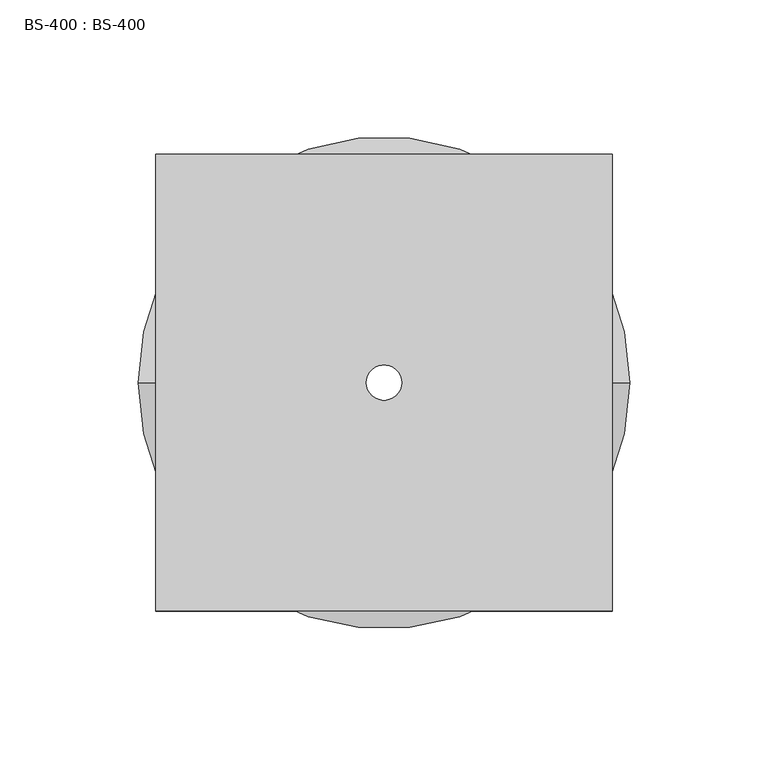
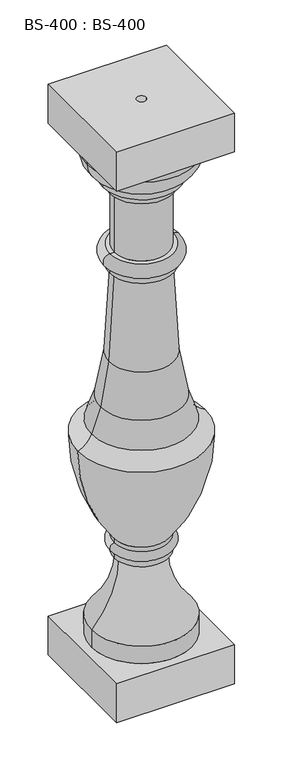
"""IFC4 building model written with IfcOpenShell, lengths in millimetres: proxy geometry, BS-400 : BS-400."""

from ifc_helpers import new_model, si_unit, point, frame, origin, origin_with_axes, place, context, project, spatial, polyline, circle_curve, ellipse_curve, trimmed, source, transform, mapped, element, save
from ifc_brep_helpers import plane_surface, cylinder_surface, revolved_surface, advanced_brep


def bs_400_bs_400_d711bba1(model_context):
    return source(origin(), model_context, "Body", "AdvancedBrep", [
        advanced_brep(
        [(-82.55, -82.55, 841.375), (-82.55, -82.55, 784.225), (82.55, -82.55, 784.225), (82.55, -82.55, 841.375), (-82.55, 82.55, 841.375), (82.55, 82.55, 841.375), (82.55, 82.55, 784.225), (-82.55, 82.55, 784.225), (63.5, 0.0, 784.225), (-63.5, 0.0, 784.225), (-6.35, 0.0, 841.375), (6.35, 0.0, 841.375), (76.1994161, 0.0, 771.4032139), (-76.1994161, 0.0, 771.4032139), (-69.85, 0.0, 82.55), (69.85, 0.0, 82.55), (69.85, 0.0, 57.15), (-69.85, 0.0, 57.15), (-31.75, 0.0, 177.8), (31.75, 0.0, 177.8), (-38.1, 0.0, 177.8), (38.1, 0.0, 177.8), (-38.1, 0.0, 187.325), (38.1, 0.0, 187.325), (-38.1, 0.0, 200.025), (38.1, 0.0, 200.025), (-38.1, 0.0, 206.375), (38.1, 0.0, 206.375), (-88.8985682, 0.0, 352.425), (88.8985682, 0.0, 352.425), (-45.6672553, 0.0, 470.0529984), (45.6672553, 0.0, 470.0529984), (57.0978324, 0.0, 407.0202013), (-57.0978324, 0.0, 407.0202013), (-38.1020988, 0.0, 600.075), (38.1020988, 0.0, 600.075), (-44.45, 0.0, 600.075), (44.45, 0.0, 600.075), (-44.45, 0.0, 609.6), (44.45, 0.0, 609.6), (-44.45, 0.0, 628.65), (44.45, 0.0, 628.65), (-38.1, 0.0, 628.65), (38.1, 0.0, 628.65), (-38.1, 0.0, 717.55), (38.1, 0.0, 717.55), (-44.45, 0.0, 717.55), (44.45, 0.0, 717.55), (-53.975, 0.0, 730.25), (53.975, 0.0, 730.25), (-53.975, 0.0, 739.775), (53.975, 0.0, 739.775), (69.4955255, 0.0, 371.2663959), (-69.4955255, 0.0, 371.2663959), (-82.55, -82.55, 57.15), (-82.55, -82.55, 0.0), (82.55, -82.55, 0.0), (82.55, -82.55, 57.15), (-82.55, 82.55, 57.15), (82.55, 82.55, 57.15), (82.55, 82.55, 0.0), (-82.55, 82.55, 0.0), (6.35, 0.0, 0.0), (-6.35, 0.0, 0.0)],
        [
            (0, 1),
            (1, 2),
            (2, 3),
            (3, 0),
            (4, 5),
            (5, 6),
            (6, 7),
            (7, 4),
            (0, 4),
            (7, 1),
            (6, 2),
            (8, 9, circle_curve(frame((0.0, 0.0, 784.225), z_axis=(0.0, 0.0, 1.0), x_axis=(1.0, 0.0, 0.0)), 63.5)),
            (9, 8, circle_curve(frame((0.0, 0.0, 784.225), z_axis=(0.0, 0.0, 1.0), x_axis=(1.0, 0.0, 0.0)), 63.5)),
            (5, 3),
            (10, 11, circle_curve(frame((0.0, 0.0, 841.375), z_axis=(0.0, 0.0, -1.0), x_axis=(1.0, 0.0, 0.0)), 6.35)),
            (11, 10, circle_curve(frame((0.0, 0.0, 841.375), z_axis=(0.0, 0.0, -1.0), x_axis=(1.0, 0.0, 0.0)), 6.35)),
            (8, 12, circle_curve(frame((63.5, 0.0, 771.525), z_axis=(0.0, 1.0, 0.0), x_axis=(0.0, 0.0, 1.0)), 12.7)),
            (12, 13, circle_curve(frame((0.0, 0.0, 771.4032139), z_axis=(0.0, 0.0, 1.0), x_axis=(1.0, 0.0, 0.0)), 76.1994161)),
            (13, 9, circle_curve(frame((-63.5, 0.0, 771.525), z_axis=(0.0, 1.0, 0.0), x_axis=(0.0, 0.0, 1.0)), 12.7)),
            (13, 12, circle_curve(frame((0.0, 0.0, 771.4032139), z_axis=(0.0, 0.0, 1.0), x_axis=(1.0, 0.0, 0.0)), 76.1994161)),
            (14, 15, circle_curve(frame((0.0, 0.0, 82.55), z_axis=(0.0, 0.0, -1.0), x_axis=(1.0, 0.0, 0.0)), 69.85)),
            (15, 16),
            (16, 17, circle_curve(frame((0.0, 0.0, 57.15), z_axis=(0.0, 0.0, 1.0), x_axis=(1.0, 0.0, 0.0)), 69.85)),
            (17, 14),
            (15, 14, circle_curve(frame((0.0, 0.0, 82.55), z_axis=(0.0, 0.0, -1.0), x_axis=(1.0, 0.0, 0.0)), 69.85)),
            (17, 16, circle_curve(frame((0.0, 0.0, 57.15), z_axis=(0.0, 0.0, 1.0), x_axis=(1.0, 0.0, 0.0)), 69.85)),
            (14, 18, circle_curve(frame((-171.4485594, 0.0, 178.4344238), z_axis=(0.0, -1.0000000000000002, 0.0), x_axis=(0.9999896881086963, 0.0, -0.004541329791212622)), 139.7)),
            (18, 19, circle_curve(frame((0.0, 0.0, 177.8), z_axis=(0.0, 0.0, -1.0), x_axis=(1.0, 0.0, 0.0)), 31.75)),
            (19, 15, circle_curve(frame((171.4485594, 0.0, 178.4344238), z_axis=(0.0, -1.0000000000000002, 0.0), x_axis=(-0.9999896881086963, 0.0, -0.004541329791209392)), 139.7)),
            (19, 18, circle_curve(frame((0.0, 0.0, 177.8), z_axis=(0.0, 0.0, -1.0), x_axis=(1.0, 0.0, 0.0)), 31.75)),
            (18, 20),
            (20, 21, circle_curve(frame((0.0, 0.0, 177.8), z_axis=(0.0, 0.0, -1.0), x_axis=(1.0, 0.0, 0.0)), 38.1)),
            (21, 19),
            (21, 20, circle_curve(frame((0.0, 0.0, 177.8), z_axis=(0.0, 0.0, -1.0), x_axis=(1.0, 0.0, 0.0)), 38.1)),
            (20, 22),
            (22, 23, circle_curve(frame((0.0, 0.0, 187.325), z_axis=(0.0, 0.0, -1.0), x_axis=(1.0, 0.0, 0.0)), 38.1)),
            (23, 21),
            (23, 22, circle_curve(frame((0.0, 0.0, 187.325), z_axis=(0.0, 0.0, -1.0), x_axis=(1.0, 0.0, 0.0)), 38.1)),
            (22, 24, circle_curve(frame((-38.1, 0.0, 193.675), z_axis=(0.0, 1.0, 0.0), x_axis=(0.0, 0.0, 1.0)), 6.35)),
            (24, 25, circle_curve(frame((0.0, 0.0, 200.025), z_axis=(0.0, 0.0, -1.0), x_axis=(1.0, 0.0, 0.0)), 38.1)),
            (25, 23, circle_curve(frame((38.1, 0.0, 193.675), z_axis=(0.0, 1.0, 0.0), x_axis=(0.0, 0.0, 1.0)), 6.35)),
            (25, 24, circle_curve(frame((0.0, 0.0, 200.025), z_axis=(0.0, 0.0, -1.0), x_axis=(1.0, 0.0, 0.0)), 38.1)),
            (24, 26),
            (26, 27, circle_curve(frame((0.0, 0.0, 206.375), z_axis=(0.0, 0.0, -1.0), x_axis=(1.0, 0.0, 0.0)), 38.1)),
            (27, 25),
            (27, 26, circle_curve(frame((0.0, 0.0, 206.375), z_axis=(0.0, 0.0, -1.0), x_axis=(1.0, 0.0, 0.0)), 38.1)),
            (26, 28, circle_curve(frame((148.5621965, 0.0, 353.158436), z_axis=(0.0, 1.0, 0.0), x_axis=(-0.9999952301183829, 0.0, -0.003088647031063775)), 237.4618974)),
            (28, 29, circle_curve(frame((0.0, 0.0, 352.425), z_axis=(0.0, 0.0, -1.0), x_axis=(1.0, 0.0, 0.0)), 88.8985682)),
            (29, 27, circle_curve(frame((-148.5621965, 0.0, 353.158436), z_axis=(0.0, 1.0, 0.0), x_axis=(0.9999952301183829, 0.0, -0.003088647031067006)), 237.4618974)),
            (29, 28, circle_curve(frame((0.0, 0.0, 352.425), z_axis=(0.0, 0.0, -1.0), x_axis=(1.0, 0.0, 0.0)), 88.8985682)),
            (30, 31, circle_curve(frame((0.0, 0.0, 470.0529984), z_axis=(0.0, 0.0, -1.0), x_axis=(1.0, 0.0, 0.0)), 45.6672553)),
            (31, 32, circle_curve(frame((623.7553248, 0.0, 542.332584), z_axis=(0.0, -1.0, 0.0), x_axis=(1.0, 0.0, 0.0)), 582.5891817)),
            (32, 33, circle_curve(frame((0.0, 0.0, 407.0202013), z_axis=(0.0, 0.0, 1.0), x_axis=(1.0, 0.0, 0.0)), 57.0978324)),
            (33, 30, circle_curve(frame((-623.7553248, 0.0, 542.332584), z_axis=(0.0, -1.0, 0.0), x_axis=(-1.0, 0.0, 0.0)), 582.5891817)),
            (31, 30, circle_curve(frame((0.0, 0.0, 470.0529984), z_axis=(0.0, 0.0, -1.0), x_axis=(1.0, 0.0, 0.0)), 45.6672553)),
            (33, 32, circle_curve(frame((0.0, 0.0, 407.0202013), z_axis=(0.0, 0.0, 1.0), x_axis=(1.0, 0.0, 0.0)), 57.0978324)),
            (30, 34, circle_curve(frame((-1021.4724534, 0.0, 592.0600058), z_axis=(0.0, -1.0, 0.0), x_axis=(0.9999667860464471, 0.0, 0.00815026404107719)), 983.4030173)),
            (34, 35, circle_curve(frame((0.0, 0.0, 600.075), z_axis=(0.0, 0.0, -1.0), x_axis=(1.0, 0.0, 0.0)), 38.1020988)),
            (35, 31, circle_curve(frame((1021.4724534, 0.0, 592.0600058), z_axis=(0.0, -1.0, 0.0), x_axis=(-0.9999667860464471, 0.0, 0.00815026404108042)), 983.4030173)),
            (35, 34, circle_curve(frame((0.0, 0.0, 600.075), z_axis=(0.0, 0.0, -1.0), x_axis=(1.0, 0.0, 0.0)), 38.1020988)),
            (34, 36),
            (36, 37, circle_curve(frame((0.0, 0.0, 600.075), z_axis=(0.0, 0.0, -1.0), x_axis=(1.0, 0.0, 0.0)), 44.45)),
            (37, 35),
            (37, 36, circle_curve(frame((0.0, 0.0, 600.075), z_axis=(0.0, 0.0, -1.0), x_axis=(1.0, 0.0, 0.0)), 44.45)),
            (36, 38),
            (38, 39, circle_curve(frame((0.0, 0.0, 609.6), z_axis=(0.0, 0.0, -1.0), x_axis=(1.0, 0.0, 0.0)), 44.45)),
            (39, 37),
            (39, 38, circle_curve(frame((0.0, 0.0, 609.6), z_axis=(0.0, 0.0, -1.0), x_axis=(1.0, 0.0, 0.0)), 44.45)),
            (38, 40, circle_curve(frame((-44.45, 0.0, 619.125), z_axis=(0.0, 1.0, 0.0), x_axis=(0.0, 0.0, 1.0)), 9.525)),
            (40, 41, circle_curve(frame((0.0, 0.0, 628.65), z_axis=(0.0, 0.0, -1.0), x_axis=(1.0, 0.0, 0.0)), 44.45)),
            (41, 39, circle_curve(frame((44.45, 0.0, 619.125), z_axis=(0.0, 1.0, 0.0), x_axis=(0.0, 0.0, 1.0)), 9.525)),
            (41, 40, circle_curve(frame((0.0, 0.0, 628.65), z_axis=(0.0, 0.0, -1.0), x_axis=(1.0, 0.0, 0.0)), 44.45)),
            (40, 42),
            (42, 43, circle_curve(frame((0.0, 0.0, 628.65), z_axis=(0.0, 0.0, -1.0), x_axis=(1.0, 0.0, 0.0)), 38.1)),
            (43, 41),
            (43, 42, circle_curve(frame((0.0, 0.0, 628.65), z_axis=(0.0, 0.0, -1.0), x_axis=(1.0, 0.0, 0.0)), 38.1)),
            (42, 44),
            (44, 45, circle_curve(frame((0.0, 0.0, 717.55), z_axis=(0.0, 0.0, -1.0), x_axis=(1.0, 0.0, 0.0)), 38.1)),
            (45, 43),
            (45, 44, circle_curve(frame((0.0, 0.0, 717.55), z_axis=(0.0, 0.0, -1.0), x_axis=(1.0, 0.0, 0.0)), 38.1)),
            (44, 46),
            (46, 47, circle_curve(frame((0.0, 0.0, 717.55), z_axis=(0.0, 0.0, -1.0), x_axis=(1.0, 0.0, 0.0)), 44.45)),
            (47, 45),
            (47, 46, circle_curve(frame((0.0, 0.0, 717.55), z_axis=(0.0, 0.0, -1.0), x_axis=(1.0, 0.0, 0.0)), 44.45)),
            (46, 48, circle_curve(frame((-57.1436478, 0.0, 717.9516392), z_axis=(0.0, -1.0000000000000002, 0.0), x_axis=(0.24949981806113253, 0.0, 0.9683748451852009)), 12.7000003)),
            (48, 49, circle_curve(frame((0.0, 0.0, 730.25), z_axis=(0.0, 0.0, -1.0), x_axis=(1.0, 0.0, 0.0)), 53.975)),
            (49, 47, circle_curve(frame((57.1436478, 0.0, 717.9516392), z_axis=(0.0, -1.0000000000000002, 0.0), x_axis=(-0.24949981806112942, 0.0, 0.9683748451852018)), 12.7000003)),
            (49, 48, circle_curve(frame((0.0, 0.0, 730.25), z_axis=(0.0, 0.0, -1.0), x_axis=(1.0, 0.0, 0.0)), 53.975)),
            (48, 50),
            (50, 51, circle_curve(frame((0.0, 0.0, 739.775), z_axis=(0.0, 0.0, -1.0), x_axis=(1.0, 0.0, 0.0)), 53.975)),
            (51, 49),
            (51, 50, circle_curve(frame((0.0, 0.0, 739.775), z_axis=(0.0, 0.0, -1.0), x_axis=(1.0, 0.0, 0.0)), 53.975)),
            (12, 51, circle_curve(frame((42.1165401, 0.0, 771.7300652), z_axis=(0.0, 1.0, 0.0), x_axis=(1.0, 0.0, 0.0)), 34.0844431)),
            (50, 13, circle_curve(frame((-42.1165401, 0.0, 771.7300652), z_axis=(0.0, 1.0, 0.0), x_axis=(-1.0, 0.0, 0.0)), 34.0844431)),
            (32, 52, circle_curve(frame((242.5936187, 0.0, 451.3148187), z_axis=(0.0, -1.0, 0.0), x_axis=(1.0, 0.0, 0.0)), 190.7110376)),
            (52, 53, circle_curve(frame((0.0, 0.0, 371.2663959), z_axis=(0.0, 0.0, 1.0), x_axis=(1.0, 0.0, 0.0)), 69.4955255)),
            (53, 33, circle_curve(frame((-242.5936187, 0.0, 451.3148187), z_axis=(0.0, -1.0, 0.0), x_axis=(-1.0, 0.0, 0.0)), 190.7110376)),
            (53, 52, circle_curve(frame((0.0, 0.0, 371.2663959), z_axis=(0.0, 0.0, 1.0), x_axis=(1.0, 0.0, 0.0)), 69.4955255)),
            (28, 53, circle_curve(frame((-103.7088738, 0.0, 387.0882026), z_axis=(0.0, -1.0, 0.0), x_axis=(-1.0, 0.0, 0.0)), 37.6945986)),
            (52, 29, circle_curve(frame((103.7088738, 0.0, 387.0882026), z_axis=(0.0, -1.0, 0.0), x_axis=(1.0, 0.0, 0.0)), 37.6945986)),
            (54, 55),
            (55, 56),
            (56, 57),
            (57, 54),
            (58, 59),
            (59, 60),
            (60, 61),
            (61, 58),
            (54, 58),
            (61, 55),
            (60, 56),
            (62, 63, circle_curve(origin_with_axes(), 6.35)),
            (63, 62, circle_curve(origin_with_axes(), 6.35)),
            (59, 57),
            (62, 11),
            (10, 63),
        ],
        [
            plane_surface(frame((-82.55, -82.55, 784.225), z_axis=(0.0, -1.0, 0.0), x_axis=(0.0, 0.0, -1.0))),
            plane_surface(frame((-82.55, 82.55, 784.225), z_axis=(0.0, 1.0, 0.0), x_axis=(0.0, 0.0, 1.0))),
            plane_surface(frame((-82.55, -82.55, 841.375), z_axis=(-1.0, 0.0, 0.0), x_axis=(0.0, 1.0, 0.0))),
            plane_surface(frame((-82.55, -82.55, 784.225), z_axis=(0.0, 0.0, -1.0), x_axis=(0.0, 1.0, 0.0))),
            plane_surface(frame((82.55, -82.55, 784.225), z_axis=(1.0, 0.0, 0.0), x_axis=(0.0, 1.0, 0.0))),
            plane_surface(frame((82.55, -82.55, 841.375), z_axis=(0.0, 0.0, 1.0), x_axis=(0.0, 1.0, 0.0))),
            revolved_surface(trimmed(ellipse_curve(frame((63.5, 0.0, 771.525), z_axis=(0.0, -1.0, 0.0), x_axis=(0.0, 0.0, 1.0)), 12.7, 12.7), [point((76.1994161, 0.0, 771.4032139))], [point((63.5, 0.0, 784.225))], True, "CARTESIAN"), (0.0, 0.0, 57.15), (0.0, 0.0, 1.0)),
            cylinder_surface(frame((0.0, 0.0, 57.15), z_axis=(0.0, 0.0, 1.0), x_axis=(1.0, 0.0, 0.0)), 69.85),
            revolved_surface(trimmed(ellipse_curve(frame((171.4485594, 0.0, 178.4344238), z_axis=(0.0, 1.0000000000000002, 0.0), x_axis=(-0.9999896881086963, 0.0, -0.004541329791209392)), 139.7, 139.7), [point((69.85, 0.0, 82.55))], [point((31.75, 0.0, 177.8))], True, "CARTESIAN"), (0.0, 0.0, 57.15), (0.0, 0.0, 1.0)),
            plane_surface(frame((0.0, 0.0, 177.8), z_axis=(0.0, 0.0, -1.0), x_axis=(1.0, 0.0, 0.0))),
            cylinder_surface(frame((0.0, 0.0, 57.15), z_axis=(0.0, 0.0, 1.0), x_axis=(1.0, 0.0, 0.0)), 38.1),
            revolved_surface(trimmed(ellipse_curve(frame((38.1, 0.0, 193.675), z_axis=(0.0, -1.0, 0.0), x_axis=(0.0, 0.0, 1.0)), 6.35, 6.35), [point((38.1, 0.0, 187.325))], [point((38.1, 0.0, 200.025))], True, "CARTESIAN"), (0.0, 0.0, 57.15), (0.0, 0.0, 1.0)),
            revolved_surface(trimmed(ellipse_curve(frame((-148.5621965, 0.0, 353.158436), z_axis=(0.0, -1.0, 0.0), x_axis=(0.9999952301183829, 0.0, -0.003088647031067006)), 237.4618974, 237.4618974), [point((38.1, 0.0, 206.375))], [point((88.8985682, 0.0, 352.425))], True, "CARTESIAN"), (0.0, 0.0, 57.15), (0.0, 0.0, 1.0)),
            revolved_surface(trimmed(ellipse_curve(frame((623.7553248, 0.0, 542.332584), z_axis=(0.0, 1.0, 0.0), x_axis=(1.0, 0.0, 0.0)), 582.5891817, 582.5891817), [point((57.0978324, 0.0, 407.0202013))], [point((45.6672553, 0.0, 470.0529984))], True, "CARTESIAN"), (0.0, 0.0, 57.15), (0.0, 0.0, 1.0)),
            revolved_surface(trimmed(ellipse_curve(frame((1021.4724534, 0.0, 592.0600058), z_axis=(0.0, 1.0, 0.0), x_axis=(-0.9999667860464471, 0.0, 0.00815026404108042)), 983.4030173, 983.4030173), [point((45.6672553, 0.0, 470.0529984))], [point((38.1020988, 0.0, 600.075))], True, "CARTESIAN"), (0.0, 0.0, 57.15), (0.0, 0.0, 1.0)),
            plane_surface(frame((0.0, 0.0, 600.075), z_axis=(0.0, 0.0, -1.0), x_axis=(1.0, 0.0, 0.0))),
            cylinder_surface(frame((0.0, 0.0, 57.15), z_axis=(0.0, 0.0, 1.0), x_axis=(1.0, 0.0, 0.0)), 44.45),
            revolved_surface(trimmed(ellipse_curve(frame((44.45, 0.0, 619.125), z_axis=(0.0, -1.0, 0.0), x_axis=(0.0, 0.0, 1.0)), 9.525, 9.525), [point((44.45, 0.0, 609.6))], [point((44.45, 0.0, 628.65))], True, "CARTESIAN"), (0.0, 0.0, 57.15), (0.0, 0.0, 1.0)),
            plane_surface(frame((0.0, 0.0, 628.65), z_axis=(0.0, 0.0, 1.0), x_axis=(1.0, 0.0, 0.0))),
            plane_surface(frame((0.0, 0.0, 717.55), z_axis=(0.0, 0.0, -1.0), x_axis=(1.0, 0.0, 0.0))),
            revolved_surface(trimmed(ellipse_curve(frame((57.1436478, 0.0, 717.9516392), z_axis=(0.0, 1.0000000000000002, 0.0), x_axis=(-0.24949981806112942, 0.0, 0.9683748451852018)), 12.7000003, 12.7000003), [point((44.45, 0.0, 717.55))], [point((53.975, 0.0, 730.25))], True, "CARTESIAN"), (0.0, 0.0, 57.15), (0.0, 0.0, 1.0)),
            cylinder_surface(frame((0.0, 0.0, 57.15), z_axis=(0.0, 0.0, 1.0), x_axis=(1.0, 0.0, 0.0)), 53.975),
            revolved_surface(trimmed(ellipse_curve(frame((42.1165401, 0.0, 771.7300652), z_axis=(0.0, -1.0, 0.0), x_axis=(1.0, 0.0, 0.0)), 34.0844431, 34.0844431), [point((53.975, 0.0, 739.775))], [point((76.1994161, 0.0, 771.4032139))], True, "CARTESIAN"), (0.0, 0.0, 57.15), (0.0, 0.0, 1.0)),
            revolved_surface(trimmed(ellipse_curve(frame((242.5936187, 0.0, 451.3148187), z_axis=(0.0, 1.0, 0.0), x_axis=(1.0, 0.0, 0.0)), 190.7110376, 190.7110376), [point((69.4955255, 0.0, 371.2663959))], [point((57.0978324, 0.0, 407.0202013))], True, "CARTESIAN"), (0.0, 0.0, 57.15), (0.0, 0.0, 1.0)),
            revolved_surface(trimmed(ellipse_curve(frame((103.7088738, 0.0, 387.0882026), z_axis=(0.0, 1.0, 0.0), x_axis=(1.0, 0.0, 0.0)), 37.6945986, 37.6945986), [point((88.8985682, 0.0, 352.425))], [point((69.4955255, 0.0, 371.2663959))], True, "CARTESIAN"), (0.0, 0.0, 57.15), (0.0, 0.0, 1.0)),
            plane_surface(frame((-82.55, -82.55, 0.0), z_axis=(0.0, -1.0, 0.0), x_axis=(0.0, 0.0, -1.0))),
            plane_surface(frame((-82.55, 82.55, 0.0), z_axis=(0.0, 1.0, 0.0), x_axis=(0.0, 0.0, 1.0))),
            plane_surface(frame((-82.55, -82.55, 57.15), z_axis=(-1.0, 0.0, 0.0), x_axis=(0.0, 1.0, 0.0))),
            plane_surface(frame((-82.55, -82.55, 0.0), z_axis=(0.0, 0.0, -1.0), x_axis=(0.0, 1.0, 0.0))),
            plane_surface(frame((82.55, -82.55, 0.0), z_axis=(1.0, 0.0, 0.0), x_axis=(0.0, 1.0, 0.0))),
            plane_surface(frame((82.55, -82.55, 57.15), z_axis=(0.0, 0.0, 1.0), x_axis=(0.0, 1.0, 0.0))),
            revolved_surface(polyline([(6.35, 0.0, 0.0), (6.35, 0.0, 841.375)]), (0.0, 0.0, 841.375), (0.0, 0.0, -1.0)),
        ],
        [
            (0, [[1, 2, 3, 4]]),
            (1, [[5, 6, 7, 8]]),
            (2, [[-1, 9, -8, 10]]),
            (3, [[-2, -10, -7, 11], [12, 13]]),
            (4, [[-3, -11, -6, 14]]),
            (5, [[-4, -14, -5, -9], [15, 16]]),
            (6, [[17, 18, 19, -12]]),
            (6, [[-17, -13, -19, 20]]),
            (7, [[21, 22, 23, 24]]),
            (7, [[-22, 25, -24, 26]]),
            (8, [[-21, 27, 28, 29]]),
            (8, [[-25, -29, 30, -27]]),
            (9, [[-28, 31, 32, 33]]),
            (9, [[-30, -33, 34, -31]]),
            (10, [[-32, 35, 36, 37]]),
            (10, [[-34, -37, 38, -35]]),
            (11, [[-36, 39, 40, 41]]),
            (11, [[-38, -41, 42, -39]]),
            (10, [[-40, 43, 44, 45]]),
            (10, [[-42, -45, 46, -43]]),
            (12, [[-44, 47, 48, 49]]),
            (12, [[-46, -49, 50, -47]]),
            (13, [[51, 52, 53, 54]]),
            (13, [[-52, 55, -54, 56]]),
            (14, [[-51, 57, 58, 59]]),
            (14, [[-55, -59, 60, -57]]),
            (15, [[-58, 61, 62, 63]]),
            (15, [[-60, -63, 64, -61]]),
            (16, [[-62, 65, 66, 67]]),
            (16, [[-64, -67, 68, -65]]),
            (17, [[-66, 69, 70, 71]]),
            (17, [[-68, -71, 72, -69]]),
            (18, [[-70, 73, 74, 75]]),
            (18, [[-72, -75, 76, -73]]),
            (10, [[-74, 77, 78, 79]]),
            (10, [[-76, -79, 80, -77]]),
            (19, [[-78, 81, 82, 83]]),
            (19, [[-80, -83, 84, -81]]),
            (20, [[-82, 85, 86, 87]]),
            (20, [[-84, -87, 88, -85]]),
            (21, [[-86, 89, 90, 91]]),
            (21, [[-88, -91, 92, -89]]),
            (22, [[-18, 93, -90, 94]]),
            (22, [[-20, -94, -92, -93]]),
            (23, [[-53, 95, 96, 97]]),
            (23, [[-56, -97, 98, -95]]),
            (24, [[-48, 99, -96, 100]]),
            (24, [[-50, -100, -98, -99]]),
            (25, [[101, 102, 103, 104]]),
            (26, [[105, 106, 107, 108]]),
            (27, [[-101, 109, -108, 110]]),
            (28, [[-102, -110, -107, 111], [112, 113]]),
            (29, [[-103, -111, -106, 114]]),
            (30, [[-104, -114, -105, -109], [-23, -26]]),
            (31, [[115, -15, 116, -112]]),
            (31, [[-115, -113, -116, -16]]),
        ],
    ),
    ])


if __name__ == "__main__":
    model = new_model("IFC4")
    model_context = context("Model", 3, world=origin())
    ifc_project = project(units=[si_unit("LENGTHUNIT", "METRE", prefix="MILLI")], contexts=[model_context])
    site = spatial("IfcSite", under=ifc_project)
    building = spatial("IfcBuilding", under=site)
    placement = place(None, origin())
    bs_400_bs_400_shape = bs_400_bs_400_d711bba1(model_context)
    element("IfcBuildingElementProxy", 1, Name="BS-400 : BS-400", ObjectType="BS-400 : BS-400", at=placement, inside=building, context=model_context, shape_type="MappedRepresentation", body=[
        mapped(bs_400_bs_400_shape, transform((0.0, 0.0, 0.0), x_axis=(1.0, 0.0, 0.0), y_axis=(0.0, 1.0, 0.0), z_axis=(0.0, 0.0, 1.0))),
    ])
    save(model, "model.ifc")
